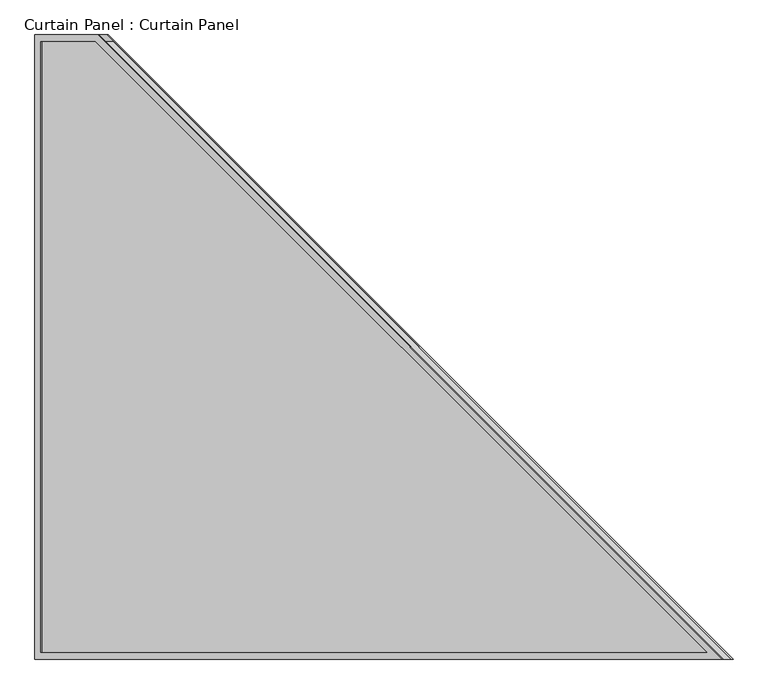
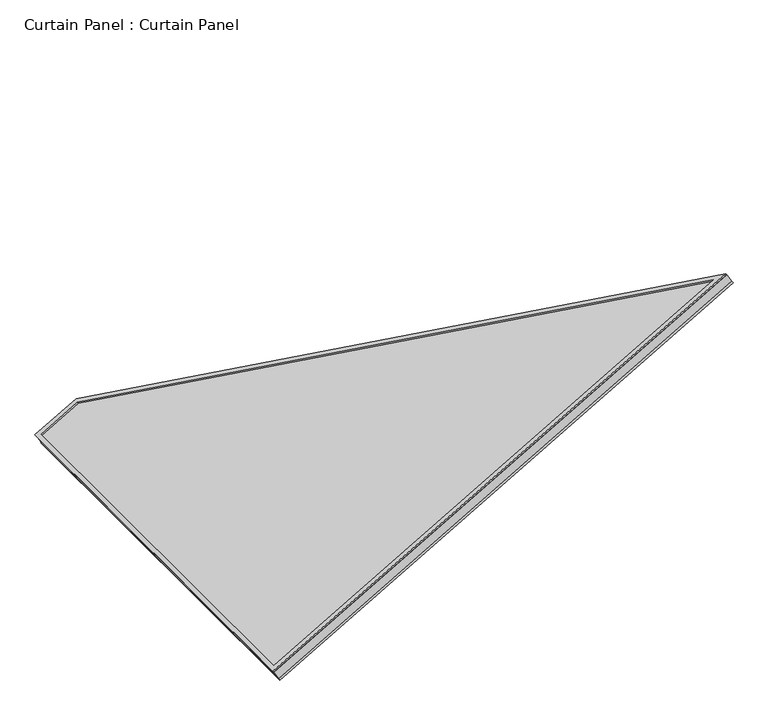
"""IFC4 building model written with IfcOpenShell, lengths in millimetres: plate geometry, Curtain Panel : Curtain Panel."""

import ifcopenshell
import ifcopenshell.guid

model = None  # the IFC model being written
_history = None  # IfcOwnerHistory: only IFC2X3 demands one
_inside = {}  # id of a spatial element -> (the spatial element, [elements in it])
_under = {}  # id of a project, library or spatial element -> (it, [spatial elements below it])
_declared = {}  # id of a project -> (the project, [libraries it declares])
_typed = {}  # id of a type object -> (the type object, [elements of that type])
_made_of = {}  # id of a material, layer set ... -> (it, [elements and type objects made of it])


def new_model(schema):
    """Start an empty IFC model of exactly this schema.

    Asked for "IFC4X3", IfcOpenShell would pick the latest addendum, in which some entities
    have other attributes; the version numbers below select the first issue.
    IFC2X3 requires an IfcOwnerHistory on every rooted entity: one is made here for all.
    """
    global model, _history
    if schema == "IFC4X3":
        model = ifcopenshell.file(schema_version=(4, 3, 0, 0))
    else:
        model = ifcopenshell.file(schema=schema)
    _inside.clear()
    _under.clear()
    _declared.clear()
    _typed.clear()
    _made_of.clear()
    _history = None
    if model.schema == "IFC2X3":
        org = make("IfcOrganization", Name="unknown")
        user = make(
            "IfcPersonAndOrganization",
            ThePerson=make("IfcPerson", FamilyName="unknown"),
            TheOrganization=org,
        )
        app = make(
            "IfcApplication",
            ApplicationDeveloper=org,
            Version="unknown",
            ApplicationFullName="unknown",
            ApplicationIdentifier="unknown",
        )
        _history = make(
            "IfcOwnerHistory",
            OwningUser=user,
            OwningApplication=app,
            ChangeAction="ADDED",
            CreationDate=0,
        )
    return model


def make(cls, **values):
    """One entity of the class cls with the attributes given. An attribute that is None is left unset."""
    return model.create_entity(
        cls, **{name: value for name, value in values.items() if value is not None}
    )


def rooted(cls, **values):
    """An entity with a GlobalId (a new one), such as an element, a storey or a relation."""
    return make(cls, GlobalId=ifcopenshell.guid.new(), OwnerHistory=_history, **values)


def si_unit(unit_type, name, prefix=None):
    """IfcSIUnit, for example si_unit("LENGTHUNIT", "METRE", prefix="MILLI")."""
    return make("IfcSIUnit", UnitType=unit_type, Prefix=prefix, Name=name)


def assignment(units):
    """IfcUnitAssignment: the units of a project."""
    return None if units is None else make("IfcUnitAssignment", Units=units)


def point(xyz):
    """IfcCartesianPoint."""
    return None if xyz is None else make("IfcCartesianPoint", Coordinates=xyz)


def direction(xyz):
    """IfcDirection."""
    return None if xyz is None else make("IfcDirection", DirectionRatios=xyz)


def frame(location, z_axis=None, x_axis=None):
    """IfcAxis2Placement3D, a coordinate frame: its origin and axes. An axis left out is left unset."""
    return make(
        "IfcAxis2Placement3D",
        Location=point(location),
        Axis=direction(z_axis),
        RefDirection=direction(x_axis),
    )


def origin():
    """The frame at (0, 0, 0) with its axes left unset."""
    return frame((0.0, 0.0, 0.0))


def place(relative_to, where):
    """IfcLocalPlacement: puts the frame where relative to a parent placement (None: the world)."""
    return make(
        "IfcLocalPlacement", PlacementRelTo=relative_to, RelativePlacement=where
    )


def context(
    kind, dimensions, precision=None, world=None, true_north=None, identifier=None
):
    """IfcGeometricRepresentationContext, for example the 3D "Model" context."""
    return make(
        "IfcGeometricRepresentationContext",
        ContextIdentifier=identifier,
        ContextType=kind,
        CoordinateSpaceDimension=dimensions,
        Precision=precision,
        WorldCoordinateSystem=world,
        TrueNorth=true_north,
    )


def project(units=None, contexts=None):
    """IfcProject with its units and contexts."""
    return rooted(
        "IfcProject",
        Name="project",
        RepresentationContexts=contexts,
        UnitsInContext=assignment(units),
    )


def spatial(cls, under=None, at=None, **own):
    """A site, building, storey or space (cls), placed at a placement, below another one or the project."""
    s = rooted(cls, ObjectPlacement=at, **own)
    if under is not None:
        _under.setdefault(under.id(), (under, []))[1].append(s)
    return s


def polyline(points):
    """IfcPolyline through the points."""
    return make("IfcPolyline", Points=[point(p) for p in points])


def outline(outer, holes=None, kind="AREA"):
    """IfcArbitraryClosedProfileDef: a profile drawn as a closed curve; with holes, ...WithVoids."""
    if holes is None:
        return make("IfcArbitraryClosedProfileDef", ProfileType=kind, OuterCurve=outer)
    return make(
        "IfcArbitraryProfileDefWithVoids",
        ProfileType=kind,
        OuterCurve=outer,
        InnerCurves=holes,
    )


def extrude(swept, where, along, depth):
    """IfcExtrudedAreaSolid: the profile swept, set in the frame where, extruded along a direction by depth."""
    return make(
        "IfcExtrudedAreaSolid",
        SweptArea=swept,
        Position=where,
        ExtrudedDirection=direction(along),
        Depth=depth,
    )


def shape(context_of_items, identifier, shape_type, items):
    """IfcShapeRepresentation: the items that make up one representation, for example the "Body"."""
    return make(
        "IfcShapeRepresentation",
        ContextOfItems=context_of_items,
        RepresentationIdentifier=identifier,
        RepresentationType=shape_type,
        Items=items,
    )


def source(mapping_origin, context_of_items, identifier, shape_type, items):
    """IfcRepresentationMap: a shape defined once, which mapped items show again and again."""
    return make(
        "IfcRepresentationMap",
        MappingOrigin=mapping_origin,
        MappedRepresentation=shape(context_of_items, identifier, shape_type, items),
    )


def transform(
    local_origin,
    x_axis=None,
    y_axis=None,
    z_axis=None,
    scale=None,
    scale2=None,
    scale3=None,
    uniform=True,
):
    """IfcCartesianTransformationOperator3D, or its non-uniform kind. x_axis, y_axis, z_axis: its Axis1, 2, 3."""
    if uniform:
        return make(
            "IfcCartesianTransformationOperator3D",
            Axis1=direction(x_axis),
            Axis2=direction(y_axis),
            LocalOrigin=point(local_origin),
            Scale=scale,
            Axis3=direction(z_axis),
        )
    return make(
        "IfcCartesianTransformationOperator3DnonUniform",
        Axis1=direction(x_axis),
        Axis2=direction(y_axis),
        LocalOrigin=point(local_origin),
        Scale=scale,
        Axis3=direction(z_axis),
        Scale2=scale2,
        Scale3=scale3,
    )


def mapped(mapping_source, mapping_target):
    """IfcMappedItem: shows the shape of a source again, moved by a transform."""
    return make(
        "IfcMappedItem", MappingSource=mapping_source, MappingTarget=mapping_target
    )


def made_of(thing, what):
    """Note that an element or type object is made of a material, layer set ...; save() writes the relation."""
    if what is not None:
        _made_of.setdefault(what.id(), (what, []))[1].append(thing)
    return thing


def element(
    cls,
    number,
    at=None,
    inside=None,
    cuts=None,
    type_object=None,
    material=None,
    context=None,
    identifier="Body",
    shape_type=None,
    held_by="IfcProductDefinitionShape",
    body=None,
    shapes=None,
    **own,
):
    """One element of the class cls, such as IfcWall. Its Tag is "e" and its number.

    at: its placement. inside: the storey or other place that contains it. cuts: it is an
    opening in that element (IfcRelVoidsElement). A single representation is given by context,
    identifier, shape_type and body (its items); several are given by shapes. held_by: the class
    of the entity that holds the representations. save() writes the other relations.
    """
    e = rooted(cls, Tag="e%d" % number, ObjectPlacement=at, **own)
    if body is not None:
        shapes = [shape(context, identifier, shape_type, body)]
    if shapes is not None:
        e.Representation = make(held_by, Representations=shapes)
    if inside is not None:
        _inside.setdefault(inside.id(), (inside, []))[1].append(e)
    if cuts is not None:
        rooted(
            "IfcRelVoidsElement", RelatingBuildingElement=cuts, RelatedOpeningElement=e
        )
    if type_object is not None:
        _typed.setdefault(type_object.id(), (type_object, []))[1].append(e)
    return made_of(e, material)


def aggregate(whole, parts):
    """IfcRelAggregates: a whole, such as a stair, and the parts it consists of."""
    return rooted("IfcRelAggregates", RelatingObject=whole, RelatedObjects=parts)


def save(model, path):
    """Write the relations noted so far, then the file.

    IfcRelAggregates (storeys below a building ...), IfcRelContainedInSpatialStructure (elements
    in a storey), IfcRelDefinesByType, IfcRelAssociatesMaterial and IfcRelDeclares: one each for
    every whole, place, type object, material and project.
    """
    for whole, parts in _under.values():
        aggregate(whole, parts)
    for where, things in _inside.values():
        rooted(
            "IfcRelContainedInSpatialStructure",
            RelatedElements=things,
            RelatingStructure=where,
        )
    for kind, things in _typed.values():
        rooted("IfcRelDefinesByType", RelatedObjects=things, RelatingType=kind)
    for what, things in _made_of.values():
        rooted("IfcRelAssociatesMaterial", RelatedObjects=things, RelatingMaterial=what)
    for by, libraries in _declared.values():
        rooted("IfcRelDeclares", RelatingContext=by, RelatedDefinitions=libraries)
    model.write(path)


def curtain_panel_curtain_panel_2933eb6a(model_context):
    return source(origin(), model_context, "Body", "SweptSolid", [
        extrude(outline(polyline([(1504.1168398, -12.7), (-12.7, -12.7), (-12.7, 1181.1), (125.635337, 1181.1), (1504.1168398, -12.7)]), holes=[polyline([(120.9004634, 1168.4), (0.0, 1168.4), (0.0, 0.0), (1470.0525724, 0.0), (120.9004634, 1168.4)])]), frame((-10906.8932737, 9758.2537369, 606.4712217), z_axis=(-0.4999999999999992, 0.0, 0.8660254037844392), x_axis=(0.8660254037844392, 0.0, 0.4999999999999992)), (0.0, 0.0, 1.0), 4.8010463),
        extrude(outline(polyline([(1504.1168398, -12.7), (-12.7, -12.7), (-12.7, 1181.1), (125.635337, 1181.1), (1504.1168398, -12.7)]), holes=[polyline([(120.9004635, 1168.4), (0.0, 1168.4), (0.0, 0.0), (1470.0525725, 0.0), (120.9004635, 1168.4)])]), frame((-10888.4657969, 9758.2537369, 574.5538956), z_axis=(-0.4999999999999996, 0.0, 0.8660254037844388), x_axis=(0.8660254037844388, 0.0, 0.4999999999999996)), (0.0, 0.0, 1.0), 6.6924537),
        extrude(outline(polyline([(12.7, 0.0), (1193.8, 0.0), (1193.8, -153.0000338), (12.7, -1516.8168397), (12.7, 0.0)])), frame((-10902.8105463, 9732.8537369, 573.9997305), z_axis=(-0.49999999999999867, 0.0, 0.8660254037844395), x_axis=(0.0, 1.0, 0.0)), (0.0, 0.0, 1.0), 30.1625),
    ])


if __name__ == "__main__":
    model = new_model("IFC4")
    model_context = context("Model", 3, world=origin())
    ifc_project = project(units=[si_unit("LENGTHUNIT", "METRE", prefix="MILLI")], contexts=[model_context])
    site = spatial("IfcSite", under=ifc_project)
    building = spatial("IfcBuilding", under=site)
    placement = place(None, origin())
    curtain_panel_curtain_panel_shape = curtain_panel_curtain_panel_2933eb6a(model_context)
    element("IfcPlate", 1, ObjectType="Curtain Panel : Curtain Panel", at=placement, inside=building, context=model_context, shape_type="MappedRepresentation", body=[
        mapped(curtain_panel_curtain_panel_shape, transform((0.0, 0.0, 0.0), x_axis=(1.0, 0.0, 0.0), y_axis=(0.0, 1.0, 0.0), z_axis=(0.0, 0.0, 1.0))),
    ])
    save(model, "model.ifc")
